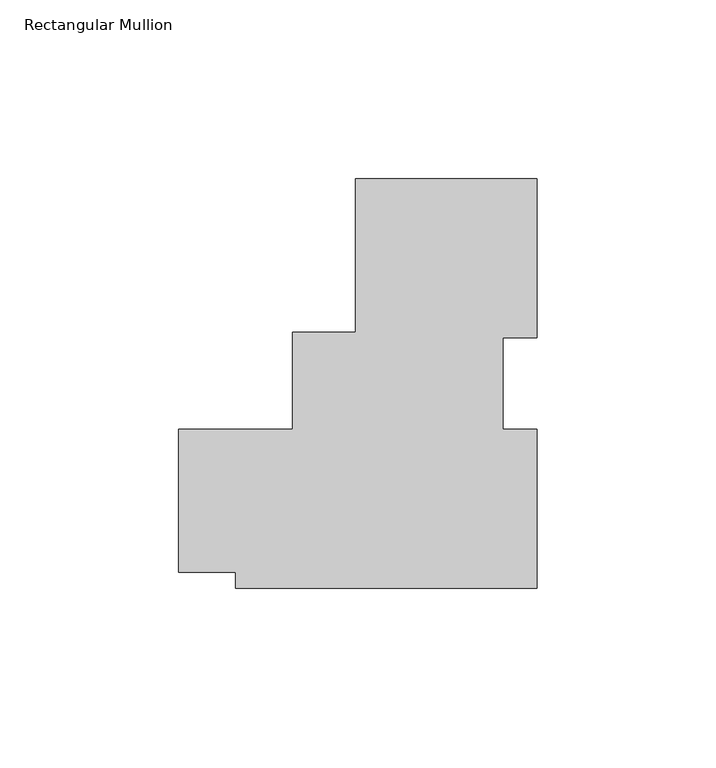
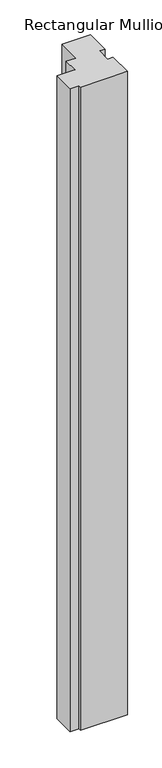
"""IFC4 building model written with IfcOpenShell, lengths in millimetres: member geometry, Rectangular Mullion."""

from ifc_helpers import new_model, si_unit, frame, origin, place, context, project, spatial, polyline, outline, extrude, source, transform, mapped, element, save


def rectangular_mullion_21cfceb1(model_context):
    return source(origin(), model_context, "Body", "SweptSolid", [
        extrude(outline(polyline([(-27.432, 49.9618), (23.368, 49.9618), (23.368, 5.5593731), (13.843, 5.5593731), (13.843, -19.9283252), (23.368, -19.9283252), (23.368, -64.3555885), (-60.8808106, -64.3555885), (-60.8808106, -59.9007985), (-76.754901, -59.9007985), (-76.754901, -19.895693), (-45.0067311, -19.895693), (-45.0067311, 7.0993), (-27.432, 7.0993), (-27.432, 49.9618)])), frame((0.0, 0.0, -1219.2), z_axis=(0.0, 0.0, 1.0), x_axis=(1.0, 0.0, 0.0)), (0.0, 0.0, 1.0), 1219.2),
    ])


if __name__ == "__main__":
    model = new_model("IFC4")
    model_context = context("Model", 3, world=origin())
    ifc_project = project(units=[si_unit("LENGTHUNIT", "METRE", prefix="MILLI")], contexts=[model_context])
    site = spatial("IfcSite", under=ifc_project)
    building = spatial("IfcBuilding", under=site)
    placement = place(None, origin())
    rectangular_mullion_shape = rectangular_mullion_21cfceb1(model_context)
    element("IfcMember", 1, ObjectType="Rectangular Mullion", at=placement, inside=building, context=model_context, shape_type="MappedRepresentation", body=[
        mapped(rectangular_mullion_shape, transform((0.0, 0.0, 0.0), x_axis=(1.0, 0.0, 0.0), y_axis=(0.0, 1.0, 0.0), z_axis=(0.0, 0.0, 1.0))),
    ])
    save(model, "model.ifc")
